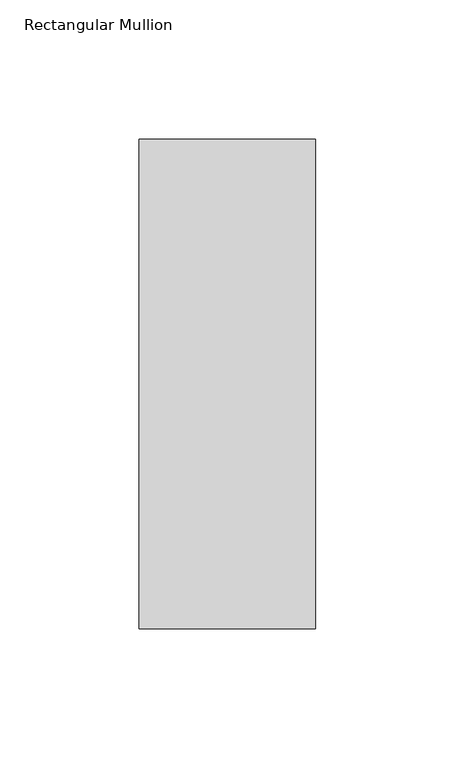
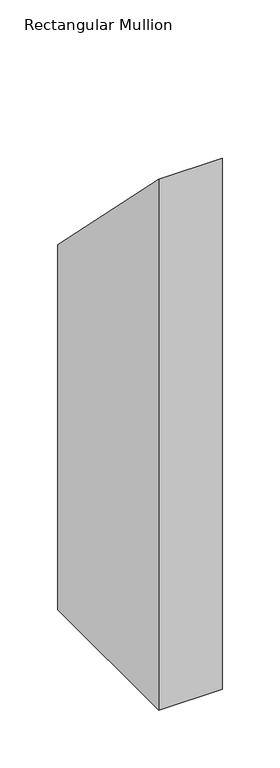
"""IFC4 building model written with IfcOpenShell, lengths in millimetres: member geometry, Rectangular Mullion."""

from ifc_helpers import new_model, si_unit, frame, origin, place, context, project, spatial, polyline, outline, extrude, source, transform, mapped, element, save


def rectangular_mullion_c00f4d21(model_context):
    return source(origin(), model_context, "Body", "SweptSolid", [
        extrude(outline(polyline([(46.7447302, -46.7447302), (222.5381312, -222.5381312), (222.5381312, -609.56825), (46.7447302, -609.56825), (46.7447302, -46.7447302)])), frame((-63.5, 0.0, 0.0), z_axis=(1.0, 0.0, 0.0), x_axis=(0.0, 1.0, 0.0)), (0.0, 0.0, 1.0), 63.4999995),
    ])


if __name__ == "__main__":
    model = new_model("IFC4")
    model_context = context("Model", 3, world=origin())
    ifc_project = project(units=[si_unit("LENGTHUNIT", "METRE", prefix="MILLI")], contexts=[model_context])
    site = spatial("IfcSite", under=ifc_project)
    building = spatial("IfcBuilding", under=site)
    placement = place(None, origin())
    rectangular_mullion_shape = rectangular_mullion_c00f4d21(model_context)
    element("IfcMember", 1, ObjectType="Rectangular Mullion", at=placement, inside=building, context=model_context, shape_type="MappedRepresentation", body=[
        mapped(rectangular_mullion_shape, transform((0.0, 0.0, 0.0), x_axis=(1.0, 0.0, 0.0), y_axis=(0.0, 1.0, 0.0), z_axis=(0.0, 0.0, 1.0))),
    ])
    save(model, "model.ifc")
